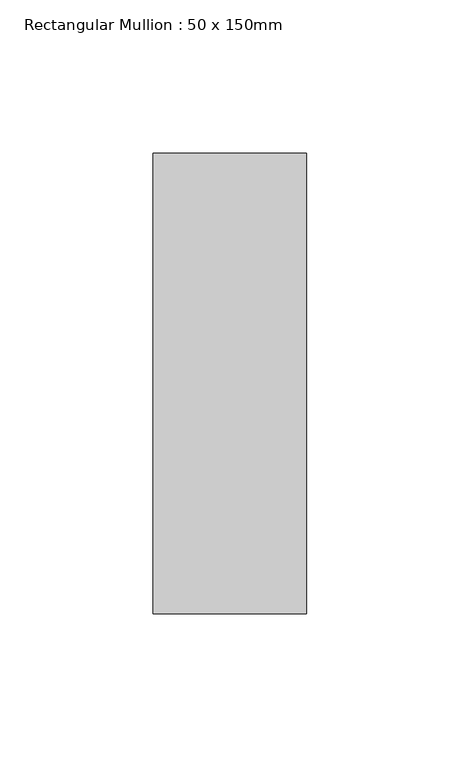
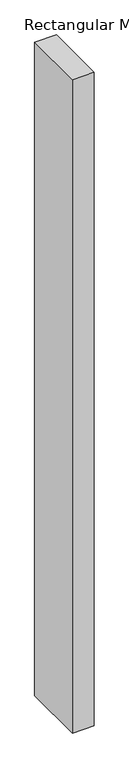
"""IFC4 building model written with IfcOpenShell, lengths in millimetres: member geometry, Rectangular Mullion : 50 x 150mm."""

import ifcopenshell
import ifcopenshell.guid

model = None  # the IFC model being written
_history = None  # IfcOwnerHistory: only IFC2X3 demands one
_inside = {}  # id of a spatial element -> (the spatial element, [elements in it])
_under = {}  # id of a project, library or spatial element -> (it, [spatial elements below it])
_declared = {}  # id of a project -> (the project, [libraries it declares])
_typed = {}  # id of a type object -> (the type object, [elements of that type])
_made_of = {}  # id of a material, layer set ... -> (it, [elements and type objects made of it])


def new_model(schema):
    """Start an empty IFC model of exactly this schema.

    Asked for "IFC4X3", IfcOpenShell would pick the latest addendum, in which some entities
    have other attributes; the version numbers below select the first issue.
    IFC2X3 requires an IfcOwnerHistory on every rooted entity: one is made here for all.
    """
    global model, _history
    if schema == "IFC4X3":
        model = ifcopenshell.file(schema_version=(4, 3, 0, 0))
    else:
        model = ifcopenshell.file(schema=schema)
    _inside.clear()
    _under.clear()
    _declared.clear()
    _typed.clear()
    _made_of.clear()
    _history = None
    if model.schema == "IFC2X3":
        org = make("IfcOrganization", Name="unknown")
        user = make(
            "IfcPersonAndOrganization",
            ThePerson=make("IfcPerson", FamilyName="unknown"),
            TheOrganization=org,
        )
        app = make(
            "IfcApplication",
            ApplicationDeveloper=org,
            Version="unknown",
            ApplicationFullName="unknown",
            ApplicationIdentifier="unknown",
        )
        _history = make(
            "IfcOwnerHistory",
            OwningUser=user,
            OwningApplication=app,
            ChangeAction="ADDED",
            CreationDate=0,
        )
    return model


def make(cls, **values):
    """One entity of the class cls with the attributes given. An attribute that is None is left unset."""
    return model.create_entity(
        cls, **{name: value for name, value in values.items() if value is not None}
    )


def rooted(cls, **values):
    """An entity with a GlobalId (a new one), such as an element, a storey or a relation."""
    return make(cls, GlobalId=ifcopenshell.guid.new(), OwnerHistory=_history, **values)


def si_unit(unit_type, name, prefix=None):
    """IfcSIUnit, for example si_unit("LENGTHUNIT", "METRE", prefix="MILLI")."""
    return make("IfcSIUnit", UnitType=unit_type, Prefix=prefix, Name=name)


def assignment(units):
    """IfcUnitAssignment: the units of a project."""
    return None if units is None else make("IfcUnitAssignment", Units=units)


def point(xyz):
    """IfcCartesianPoint."""
    return None if xyz is None else make("IfcCartesianPoint", Coordinates=xyz)


def direction(xyz):
    """IfcDirection."""
    return None if xyz is None else make("IfcDirection", DirectionRatios=xyz)


def frame(location, z_axis=None, x_axis=None):
    """IfcAxis2Placement3D, a coordinate frame: its origin and axes. An axis left out is left unset."""
    return make(
        "IfcAxis2Placement3D",
        Location=point(location),
        Axis=direction(z_axis),
        RefDirection=direction(x_axis),
    )


def origin():
    """The frame at (0, 0, 0) with its axes left unset."""
    return frame((0.0, 0.0, 0.0))


def place(relative_to, where):
    """IfcLocalPlacement: puts the frame where relative to a parent placement (None: the world)."""
    return make(
        "IfcLocalPlacement", PlacementRelTo=relative_to, RelativePlacement=where
    )


def context(
    kind, dimensions, precision=None, world=None, true_north=None, identifier=None
):
    """IfcGeometricRepresentationContext, for example the 3D "Model" context."""
    return make(
        "IfcGeometricRepresentationContext",
        ContextIdentifier=identifier,
        ContextType=kind,
        CoordinateSpaceDimension=dimensions,
        Precision=precision,
        WorldCoordinateSystem=world,
        TrueNorth=true_north,
    )


def project(units=None, contexts=None):
    """IfcProject with its units and contexts."""
    return rooted(
        "IfcProject",
        Name="project",
        RepresentationContexts=contexts,
        UnitsInContext=assignment(units),
    )


def spatial(cls, under=None, at=None, **own):
    """A site, building, storey or space (cls), placed at a placement, below another one or the project."""
    s = rooted(cls, ObjectPlacement=at, **own)
    if under is not None:
        _under.setdefault(under.id(), (under, []))[1].append(s)
    return s


def polyline(points):
    """IfcPolyline through the points."""
    return make("IfcPolyline", Points=[point(p) for p in points])


def outline(outer, holes=None, kind="AREA"):
    """IfcArbitraryClosedProfileDef: a profile drawn as a closed curve; with holes, ...WithVoids."""
    if holes is None:
        return make("IfcArbitraryClosedProfileDef", ProfileType=kind, OuterCurve=outer)
    return make(
        "IfcArbitraryProfileDefWithVoids",
        ProfileType=kind,
        OuterCurve=outer,
        InnerCurves=holes,
    )


def extrude(swept, where, along, depth):
    """IfcExtrudedAreaSolid: the profile swept, set in the frame where, extruded along a direction by depth."""
    return make(
        "IfcExtrudedAreaSolid",
        SweptArea=swept,
        Position=where,
        ExtrudedDirection=direction(along),
        Depth=depth,
    )


def shape(context_of_items, identifier, shape_type, items):
    """IfcShapeRepresentation: the items that make up one representation, for example the "Body"."""
    return make(
        "IfcShapeRepresentation",
        ContextOfItems=context_of_items,
        RepresentationIdentifier=identifier,
        RepresentationType=shape_type,
        Items=items,
    )


def source(mapping_origin, context_of_items, identifier, shape_type, items):
    """IfcRepresentationMap: a shape defined once, which mapped items show again and again."""
    return make(
        "IfcRepresentationMap",
        MappingOrigin=mapping_origin,
        MappedRepresentation=shape(context_of_items, identifier, shape_type, items),
    )


def transform(
    local_origin,
    x_axis=None,
    y_axis=None,
    z_axis=None,
    scale=None,
    scale2=None,
    scale3=None,
    uniform=True,
):
    """IfcCartesianTransformationOperator3D, or its non-uniform kind. x_axis, y_axis, z_axis: its Axis1, 2, 3."""
    if uniform:
        return make(
            "IfcCartesianTransformationOperator3D",
            Axis1=direction(x_axis),
            Axis2=direction(y_axis),
            LocalOrigin=point(local_origin),
            Scale=scale,
            Axis3=direction(z_axis),
        )
    return make(
        "IfcCartesianTransformationOperator3DnonUniform",
        Axis1=direction(x_axis),
        Axis2=direction(y_axis),
        LocalOrigin=point(local_origin),
        Scale=scale,
        Axis3=direction(z_axis),
        Scale2=scale2,
        Scale3=scale3,
    )


def mapped(mapping_source, mapping_target):
    """IfcMappedItem: shows the shape of a source again, moved by a transform."""
    return make(
        "IfcMappedItem", MappingSource=mapping_source, MappingTarget=mapping_target
    )


def made_of(thing, what):
    """Note that an element or type object is made of a material, layer set ...; save() writes the relation."""
    if what is not None:
        _made_of.setdefault(what.id(), (what, []))[1].append(thing)
    return thing


def element(
    cls,
    number,
    at=None,
    inside=None,
    cuts=None,
    type_object=None,
    material=None,
    context=None,
    identifier="Body",
    shape_type=None,
    held_by="IfcProductDefinitionShape",
    body=None,
    shapes=None,
    **own,
):
    """One element of the class cls, such as IfcWall. Its Tag is "e" and its number.

    at: its placement. inside: the storey or other place that contains it. cuts: it is an
    opening in that element (IfcRelVoidsElement). A single representation is given by context,
    identifier, shape_type and body (its items); several are given by shapes. held_by: the class
    of the entity that holds the representations. save() writes the other relations.
    """
    e = rooted(cls, Tag="e%d" % number, ObjectPlacement=at, **own)
    if body is not None:
        shapes = [shape(context, identifier, shape_type, body)]
    if shapes is not None:
        e.Representation = make(held_by, Representations=shapes)
    if inside is not None:
        _inside.setdefault(inside.id(), (inside, []))[1].append(e)
    if cuts is not None:
        rooted(
            "IfcRelVoidsElement", RelatingBuildingElement=cuts, RelatedOpeningElement=e
        )
    if type_object is not None:
        _typed.setdefault(type_object.id(), (type_object, []))[1].append(e)
    return made_of(e, material)


def aggregate(whole, parts):
    """IfcRelAggregates: a whole, such as a stair, and the parts it consists of."""
    return rooted("IfcRelAggregates", RelatingObject=whole, RelatedObjects=parts)


def save(model, path):
    """Write the relations noted so far, then the file.

    IfcRelAggregates (storeys below a building ...), IfcRelContainedInSpatialStructure (elements
    in a storey), IfcRelDefinesByType, IfcRelAssociatesMaterial and IfcRelDeclares: one each for
    every whole, place, type object, material and project.
    """
    for whole, parts in _under.values():
        aggregate(whole, parts)
    for where, things in _inside.values():
        rooted(
            "IfcRelContainedInSpatialStructure",
            RelatedElements=things,
            RelatingStructure=where,
        )
    for kind, things in _typed.values():
        rooted("IfcRelDefinesByType", RelatedObjects=things, RelatingType=kind)
    for what, things in _made_of.values():
        rooted("IfcRelAssociatesMaterial", RelatedObjects=things, RelatingMaterial=what)
    for by, libraries in _declared.values():
        rooted("IfcRelDeclares", RelatingContext=by, RelatedDefinitions=libraries)
    model.write(path)


def rectangular_mullion_50_x_150mm_f4576374(model_context):
    return source(origin(), model_context, "Body", "SweptSolid", [
        extrude(outline(polyline([(0.0, 75.0), (0.0, -75.0), (-50.0, -75.0), (-50.0, 75.0), (0.0, 75.0)])), frame((0.0, 0.0, -1585.6350987), z_axis=(0.0, 0.0, 1.0), x_axis=(1.0, 0.0, 0.0)), (0.0, 0.0, 1.0), 1585.6350987),
    ])


if __name__ == "__main__":
    model = new_model("IFC4")
    model_context = context("Model", 3, world=origin())
    ifc_project = project(units=[si_unit("LENGTHUNIT", "METRE", prefix="MILLI")], contexts=[model_context])
    site = spatial("IfcSite", under=ifc_project)
    building = spatial("IfcBuilding", under=site)
    placement = place(None, origin())
    rectangular_mullion_50_x_150mm_shape = rectangular_mullion_50_x_150mm_f4576374(model_context)
    element("IfcMember", 1, ObjectType="Rectangular Mullion : 50 x 150mm", at=placement, inside=building, context=model_context, shape_type="MappedRepresentation", body=[
        mapped(rectangular_mullion_50_x_150mm_shape, transform((0.0, 0.0, 0.0), x_axis=(1.0, 0.0, 0.0), y_axis=(0.0, 1.0, 0.0), z_axis=(0.0, 0.0, 1.0))),
    ])
    save(model, "model.ifc")
